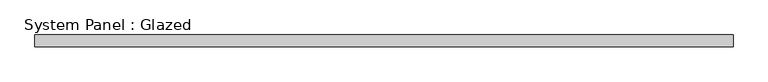
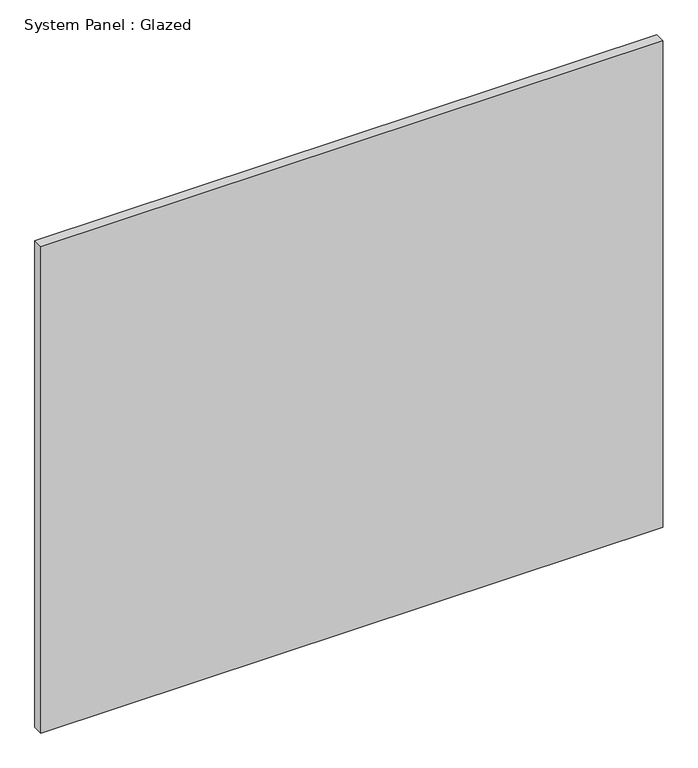
"""IFC4 building model written with IfcOpenShell, lengths in millimetres: plate geometry, System Panel : Glazed."""

from ifc_helpers import new_model, si_unit, origin, origin_with_axes, place, context, project, spatial, polyline, outline, extrude, source, transform, mapped, element, save


def system_panel_glazed_04e10335(model_context):
    return source(origin(), model_context, "Body", "SweptSolid", [
        extrude(outline(polyline([(750.0, 19.05), (-750.0, 19.05), (-750.0, 44.45), (750.0, 44.45), (750.0, 19.05)])), origin_with_axes(), (0.0, 0.0, 1.0), 1240.0),
    ])


if __name__ == "__main__":
    model = new_model("IFC4")
    model_context = context("Model", 3, world=origin())
    ifc_project = project(units=[si_unit("LENGTHUNIT", "METRE", prefix="MILLI")], contexts=[model_context])
    site = spatial("IfcSite", under=ifc_project)
    building = spatial("IfcBuilding", under=site)
    placement = place(None, origin())
    system_panel_glazed_shape = system_panel_glazed_04e10335(model_context)
    element("IfcPlate", 1, ObjectType="System Panel : Glazed", at=placement, inside=building, context=model_context, shape_type="MappedRepresentation", body=[
        mapped(system_panel_glazed_shape, transform((0.0, 0.0, 0.0), x_axis=(1.0, 0.0, 0.0), y_axis=(0.0, 1.0, 0.0), z_axis=(0.0, 0.0, 1.0))),
    ])
    save(model, "model.ifc")
